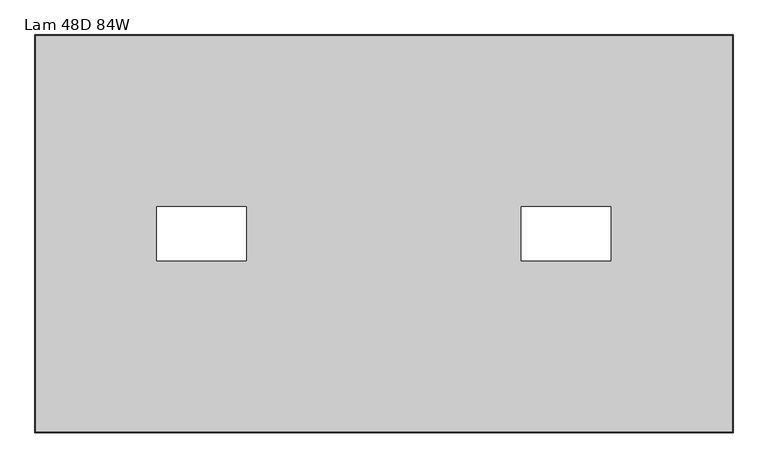
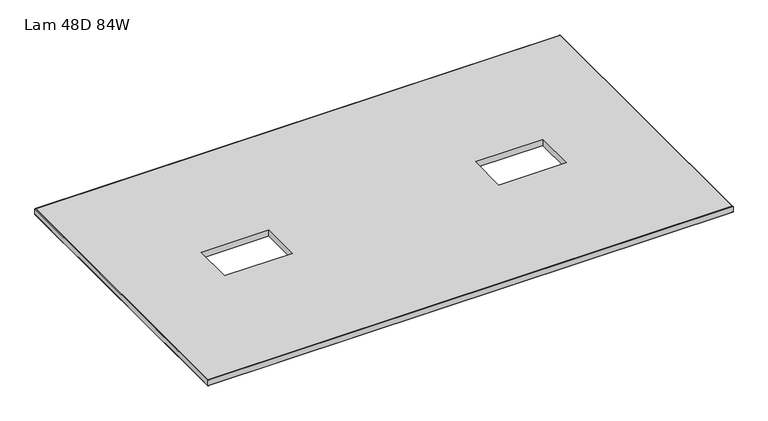
"""IFC4 building model written with IfcOpenShell, lengths in millimetres: furniture geometry, Lam 48D 84W."""

from ifc_helpers import new_model, si_unit, frame, origin, place, context, project, spatial, polyline, ellipse_curve, outline, extrude, source, transform, mapped, element, save
from ifc_brep_helpers import plane_surface, cylinder_surface, advanced_brep


def lam_48d_84w_b6fdc99a(model_context):
    return source(origin(), model_context, "Body", "SolidModel", [
        advanced_brep(
        [(-1097.0, 604.8248, 723.9), (-1097.0, 604.8248, 698.5), (1028.9518, 604.8248, 698.5), (1028.9518, 604.8248, 723.9), (1028.9518, -604.8248, 698.5), (1028.9518, -604.8248, 723.9), (-1097.0, -604.8248, 698.5), (-1097.0, -604.8248, 723.9), (-1098.6002, 606.425, 700.1002), (-1098.6002, 606.425, 722.2998), (1030.552, 606.425, 722.2998), (1030.552, 606.425, 700.1002), (1030.552, -606.425, 722.2998), (1030.552, -606.425, 700.1002), (-1098.6002, -606.425, 722.2998), (-1098.6002, -606.425, 700.1002)],
        [
            (0, 1),
            (1, 2),
            (2, 3),
            (3, 0),
            (2, 4),
            (4, 5),
            (5, 3),
            (4, 6),
            (6, 7),
            (7, 5),
            (6, 1),
            (0, 7),
            (8, 9),
            (9, 10),
            (10, 11),
            (11, 8),
            (10, 12),
            (12, 13),
            (13, 11),
            (12, 14),
            (14, 15),
            (15, 13),
            (14, 9),
            (8, 15),
            (9, 0, ellipse_curve(frame((-1097.0, 604.8248, 722.2998), z_axis=(0.7071067811865475, 0.7071067811865475, 0.0), x_axis=(-0.7071067811865476, 0.7071067811865474, 0.0)), 2.2630245, 1.6002)),
            (3, 10, ellipse_curve(frame((1028.9518, 604.8248, 722.2998), z_axis=(-0.7071067811865475, 0.7071067811865475, 0.0), x_axis=(-0.7071067811865476, -0.7071067811865474, 0.0)), 2.2630245, 1.6002)),
            (1, 8, ellipse_curve(frame((-1097.0, 604.8248, 700.1002), z_axis=(0.7071067811865475, 0.7071067811865475, 0.0), x_axis=(-0.7071067811865476, 0.7071067811865474, 0.0)), 2.2630245, 1.6002)),
            (11, 2, ellipse_curve(frame((1028.9518, 604.8248, 700.1002), z_axis=(-0.7071067811865475, 0.7071067811865475, 0.0), x_axis=(-0.7071067811865476, -0.7071067811865474, 0.0)), 2.2630245, 1.6002)),
            (5, 12, ellipse_curve(frame((1028.9518, -604.8248, 722.2998), z_axis=(0.7071067811865475, 0.7071067811865475, 0.0), x_axis=(-0.7071067811865474, 0.7071067811865476, 0.0)), 2.2630245, 1.6002)),
            (13, 4, ellipse_curve(frame((1028.9518, -604.8248, 700.1002), z_axis=(0.7071067811865475, 0.7071067811865475, 0.0), x_axis=(-0.7071067811865474, 0.7071067811865476, 0.0)), 2.2630245, 1.6002)),
            (7, 14, ellipse_curve(frame((-1097.0, -604.8248, 722.2998), z_axis=(0.7071067811865475, -0.7071067811865475, 0.0), x_axis=(0.7071067811865476, 0.7071067811865474, 0.0)), 2.2630245, 1.6002)),
            (15, 6, ellipse_curve(frame((-1097.0, -604.8248, 700.1002), z_axis=(0.7071067811865475, -0.7071067811865475, 0.0), x_axis=(0.7071067811865476, 0.7071067811865474, 0.0)), 2.2630245, 1.6002)),
        ],
        [
            plane_surface(frame((-1097.0, 604.8248, 698.5), z_axis=(0.0, -1.0, 0.0), x_axis=(1.0, 0.0, 0.0))),
            plane_surface(frame((1028.9518, 604.8248, 698.5), z_axis=(-1.0, 0.0, 0.0), x_axis=(0.0, -1.0, 0.0))),
            plane_surface(frame((1028.9518, -604.8248, 698.5), z_axis=(0.0, 1.0, 0.0), x_axis=(-1.0, 0.0, 0.0))),
            plane_surface(frame((-1097.0, -604.8248, 698.5), z_axis=(1.0, 0.0, 0.0), x_axis=(0.0, 1.0, 0.0))),
            plane_surface(frame((-1098.6002, 606.425, 722.2998), z_axis=(0.0, 1.0, 0.0), x_axis=(1.0, 0.0, 0.0))),
            plane_surface(frame((1030.552, 606.425, 722.2998), z_axis=(1.0, 0.0, 0.0), x_axis=(0.0, -1.0, 0.0))),
            plane_surface(frame((1030.552, -606.425, 722.2998), z_axis=(0.0, -1.0, 0.0), x_axis=(-1.0, 0.0, 0.0))),
            plane_surface(frame((-1098.6002, -606.425, 722.2998), z_axis=(-1.0, 0.0, 0.0), x_axis=(0.0, 1.0, 0.0))),
            cylinder_surface(frame((-1097.0, 604.8248, 722.2998), z_axis=(-1.0, 0.0, 0.0), x_axis=(0.0, -1.0, 0.0)), 1.6002),
            cylinder_surface(frame((-1097.0, 604.8248, 700.1002), z_axis=(-1.0, 0.0, 0.0), x_axis=(0.0, -1.0, 0.0)), 1.6002),
            cylinder_surface(frame((1028.9518, 604.8248, 722.2998), z_axis=(0.0, 1.0, 0.0), x_axis=(-1.0, 0.0, 0.0)), 1.6002),
            cylinder_surface(frame((1028.9518, 604.8248, 700.1002), z_axis=(0.0, 1.0, 0.0), x_axis=(-1.0, 0.0, 0.0)), 1.6002),
            cylinder_surface(frame((1028.9518, -604.8248, 722.2998), z_axis=(1.0, 0.0, 0.0), x_axis=(0.0, 1.0, 0.0)), 1.6002),
            cylinder_surface(frame((1028.9518, -604.8248, 700.1002), z_axis=(1.0, 0.0, 0.0), x_axis=(0.0, 1.0, 0.0)), 1.6002),
            cylinder_surface(frame((-1097.0, -604.8248, 722.2998), z_axis=(0.0, -1.0, 0.0), x_axis=(1.0, 0.0, 0.0)), 1.6002),
            cylinder_surface(frame((-1097.0, -604.8248, 700.1002), z_axis=(0.0, -1.0, 0.0), x_axis=(1.0, 0.0, 0.0)), 1.6002),
        ],
        [
            (0, [[1, 2, 3, 4]]),
            (1, [[-3, 5, 6, 7]]),
            (2, [[-6, 8, 9, 10]]),
            (3, [[-9, 11, -1, 12]]),
            (4, [[13, 14, 15, 16]]),
            (5, [[-15, 17, 18, 19]]),
            (6, [[-18, 20, 21, 22]]),
            (7, [[-21, 23, -13, 24]]),
            (8, [[25, -4, 26, -14]]),
            (9, [[27, -16, 28, -2]]),
            (10, [[-26, -7, 29, -17]]),
            (11, [[-28, -19, 30, -5]]),
            (12, [[-29, -10, 31, -20]]),
            (13, [[-30, -22, 32, -8]]),
            (14, [[-31, -12, -25, -23]]),
            (15, [[-32, -24, -27, -11]]),
        ],
    ),
        extrude(outline(polyline([(1028.9518, 604.8248), (1028.9518, -604.8248), (-1097.0, -604.8248), (-1097.0, 604.8248), (1028.9518, 604.8248)]), holes=[polyline([(-453.8113, 81.915), (-726.8613, 81.915), (-726.8613, -81.915), (-453.8113, -81.915), (-453.8113, 81.915)]), polyline([(657.4133, 81.915), (384.3633, 81.915), (384.3633, -81.915), (657.4133, -81.915), (657.4133, 81.915)])]), frame((0.0, 0.0, 698.5), z_axis=(0.0, 0.0, 1.0), x_axis=(1.0, 0.0, 0.0)), (0.0, 0.0, 1.0), 25.4),
    ])


if __name__ == "__main__":
    model = new_model("IFC4")
    model_context = context("Model", 3, world=origin())
    ifc_project = project(units=[si_unit("LENGTHUNIT", "METRE", prefix="MILLI")], contexts=[model_context])
    site = spatial("IfcSite", under=ifc_project)
    building = spatial("IfcBuilding", under=site)
    placement = place(None, origin())
    lam_48d_84w_shape = lam_48d_84w_b6fdc99a(model_context)
    element("IfcFurniture", 1, ObjectType="Lam 48D 84W", at=placement, inside=building, context=model_context, shape_type="MappedRepresentation", body=[
        mapped(lam_48d_84w_shape, transform((0.0, 0.0, 0.0), x_axis=(1.0, 0.0, 0.0), y_axis=(0.0, 1.0, 0.0), z_axis=(0.0, 0.0, 1.0))),
    ])
    save(model, "model.ifc")
